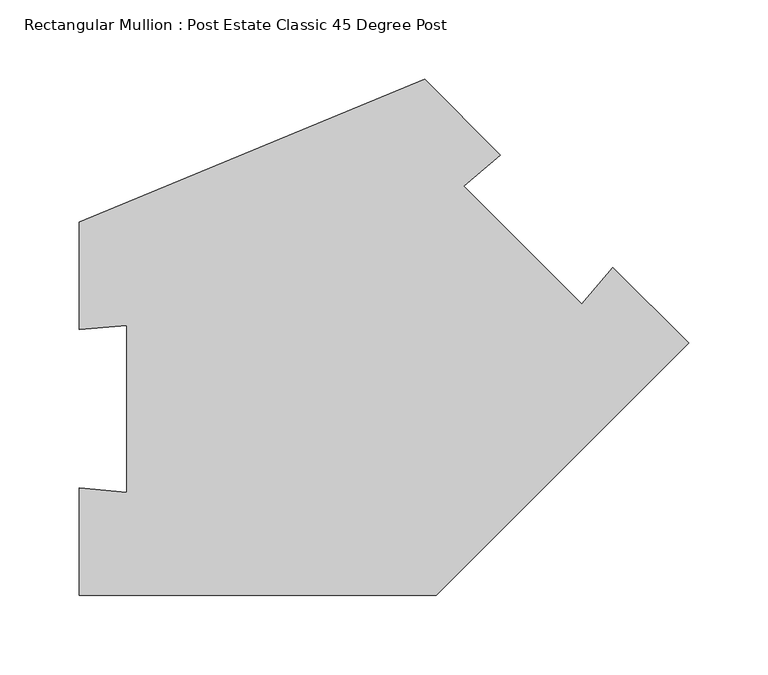
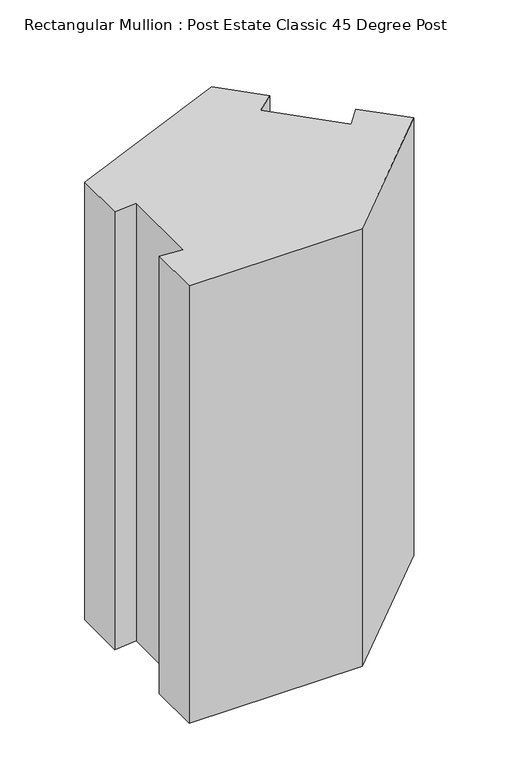
"""IFC4 building model written with IfcOpenShell, lengths in millimetres: member geometry, Rectangular Mullion : Post Estate Classic 45 Degree Post."""

import ifcopenshell
import ifcopenshell.guid

model = None  # the IFC model being written
_history = None  # IfcOwnerHistory: only IFC2X3 demands one
_inside = {}  # id of a spatial element -> (the spatial element, [elements in it])
_under = {}  # id of a project, library or spatial element -> (it, [spatial elements below it])
_declared = {}  # id of a project -> (the project, [libraries it declares])
_typed = {}  # id of a type object -> (the type object, [elements of that type])
_made_of = {}  # id of a material, layer set ... -> (it, [elements and type objects made of it])


def new_model(schema):
    """Start an empty IFC model of exactly this schema.

    Asked for "IFC4X3", IfcOpenShell would pick the latest addendum, in which some entities
    have other attributes; the version numbers below select the first issue.
    IFC2X3 requires an IfcOwnerHistory on every rooted entity: one is made here for all.
    """
    global model, _history
    if schema == "IFC4X3":
        model = ifcopenshell.file(schema_version=(4, 3, 0, 0))
    else:
        model = ifcopenshell.file(schema=schema)
    _inside.clear()
    _under.clear()
    _declared.clear()
    _typed.clear()
    _made_of.clear()
    _history = None
    if model.schema == "IFC2X3":
        org = make("IfcOrganization", Name="unknown")
        user = make(
            "IfcPersonAndOrganization",
            ThePerson=make("IfcPerson", FamilyName="unknown"),
            TheOrganization=org,
        )
        app = make(
            "IfcApplication",
            ApplicationDeveloper=org,
            Version="unknown",
            ApplicationFullName="unknown",
            ApplicationIdentifier="unknown",
        )
        _history = make(
            "IfcOwnerHistory",
            OwningUser=user,
            OwningApplication=app,
            ChangeAction="ADDED",
            CreationDate=0,
        )
    return model


def make(cls, **values):
    """One entity of the class cls with the attributes given. An attribute that is None is left unset."""
    return model.create_entity(
        cls, **{name: value for name, value in values.items() if value is not None}
    )


def rooted(cls, **values):
    """An entity with a GlobalId (a new one), such as an element, a storey or a relation."""
    return make(cls, GlobalId=ifcopenshell.guid.new(), OwnerHistory=_history, **values)


def si_unit(unit_type, name, prefix=None):
    """IfcSIUnit, for example si_unit("LENGTHUNIT", "METRE", prefix="MILLI")."""
    return make("IfcSIUnit", UnitType=unit_type, Prefix=prefix, Name=name)


def assignment(units):
    """IfcUnitAssignment: the units of a project."""
    return None if units is None else make("IfcUnitAssignment", Units=units)


def point(xyz):
    """IfcCartesianPoint."""
    return None if xyz is None else make("IfcCartesianPoint", Coordinates=xyz)


def direction(xyz):
    """IfcDirection."""
    return None if xyz is None else make("IfcDirection", DirectionRatios=xyz)


def frame(location, z_axis=None, x_axis=None):
    """IfcAxis2Placement3D, a coordinate frame: its origin and axes. An axis left out is left unset."""
    return make(
        "IfcAxis2Placement3D",
        Location=point(location),
        Axis=direction(z_axis),
        RefDirection=direction(x_axis),
    )


def origin():
    """The frame at (0, 0, 0) with its axes left unset."""
    return frame((0.0, 0.0, 0.0))


def place(relative_to, where):
    """IfcLocalPlacement: puts the frame where relative to a parent placement (None: the world)."""
    return make(
        "IfcLocalPlacement", PlacementRelTo=relative_to, RelativePlacement=where
    )


def context(
    kind, dimensions, precision=None, world=None, true_north=None, identifier=None
):
    """IfcGeometricRepresentationContext, for example the 3D "Model" context."""
    return make(
        "IfcGeometricRepresentationContext",
        ContextIdentifier=identifier,
        ContextType=kind,
        CoordinateSpaceDimension=dimensions,
        Precision=precision,
        WorldCoordinateSystem=world,
        TrueNorth=true_north,
    )


def project(units=None, contexts=None):
    """IfcProject with its units and contexts."""
    return rooted(
        "IfcProject",
        Name="project",
        RepresentationContexts=contexts,
        UnitsInContext=assignment(units),
    )


def spatial(cls, under=None, at=None, **own):
    """A site, building, storey or space (cls), placed at a placement, below another one or the project."""
    s = rooted(cls, ObjectPlacement=at, **own)
    if under is not None:
        _under.setdefault(under.id(), (under, []))[1].append(s)
    return s


def polyline(points):
    """IfcPolyline through the points."""
    return make("IfcPolyline", Points=[point(p) for p in points])


def outline(outer, holes=None, kind="AREA"):
    """IfcArbitraryClosedProfileDef: a profile drawn as a closed curve; with holes, ...WithVoids."""
    if holes is None:
        return make("IfcArbitraryClosedProfileDef", ProfileType=kind, OuterCurve=outer)
    return make(
        "IfcArbitraryProfileDefWithVoids",
        ProfileType=kind,
        OuterCurve=outer,
        InnerCurves=holes,
    )


def extrude(swept, where, along, depth):
    """IfcExtrudedAreaSolid: the profile swept, set in the frame where, extruded along a direction by depth."""
    return make(
        "IfcExtrudedAreaSolid",
        SweptArea=swept,
        Position=where,
        ExtrudedDirection=direction(along),
        Depth=depth,
    )


def shape(context_of_items, identifier, shape_type, items):
    """IfcShapeRepresentation: the items that make up one representation, for example the "Body"."""
    return make(
        "IfcShapeRepresentation",
        ContextOfItems=context_of_items,
        RepresentationIdentifier=identifier,
        RepresentationType=shape_type,
        Items=items,
    )


def source(mapping_origin, context_of_items, identifier, shape_type, items):
    """IfcRepresentationMap: a shape defined once, which mapped items show again and again."""
    return make(
        "IfcRepresentationMap",
        MappingOrigin=mapping_origin,
        MappedRepresentation=shape(context_of_items, identifier, shape_type, items),
    )


def transform(
    local_origin,
    x_axis=None,
    y_axis=None,
    z_axis=None,
    scale=None,
    scale2=None,
    scale3=None,
    uniform=True,
):
    """IfcCartesianTransformationOperator3D, or its non-uniform kind. x_axis, y_axis, z_axis: its Axis1, 2, 3."""
    if uniform:
        return make(
            "IfcCartesianTransformationOperator3D",
            Axis1=direction(x_axis),
            Axis2=direction(y_axis),
            LocalOrigin=point(local_origin),
            Scale=scale,
            Axis3=direction(z_axis),
        )
    return make(
        "IfcCartesianTransformationOperator3DnonUniform",
        Axis1=direction(x_axis),
        Axis2=direction(y_axis),
        LocalOrigin=point(local_origin),
        Scale=scale,
        Axis3=direction(z_axis),
        Scale2=scale2,
        Scale3=scale3,
    )


def mapped(mapping_source, mapping_target):
    """IfcMappedItem: shows the shape of a source again, moved by a transform."""
    return make(
        "IfcMappedItem", MappingSource=mapping_source, MappingTarget=mapping_target
    )


def made_of(thing, what):
    """Note that an element or type object is made of a material, layer set ...; save() writes the relation."""
    if what is not None:
        _made_of.setdefault(what.id(), (what, []))[1].append(thing)
    return thing


def element(
    cls,
    number,
    at=None,
    inside=None,
    cuts=None,
    type_object=None,
    material=None,
    context=None,
    identifier="Body",
    shape_type=None,
    held_by="IfcProductDefinitionShape",
    body=None,
    shapes=None,
    **own,
):
    """One element of the class cls, such as IfcWall. Its Tag is "e" and its number.

    at: its placement. inside: the storey or other place that contains it. cuts: it is an
    opening in that element (IfcRelVoidsElement). A single representation is given by context,
    identifier, shape_type and body (its items); several are given by shapes. held_by: the class
    of the entity that holds the representations. save() writes the other relations.
    """
    e = rooted(cls, Tag="e%d" % number, ObjectPlacement=at, **own)
    if body is not None:
        shapes = [shape(context, identifier, shape_type, body)]
    if shapes is not None:
        e.Representation = make(held_by, Representations=shapes)
    if inside is not None:
        _inside.setdefault(inside.id(), (inside, []))[1].append(e)
    if cuts is not None:
        rooted(
            "IfcRelVoidsElement", RelatingBuildingElement=cuts, RelatedOpeningElement=e
        )
    if type_object is not None:
        _typed.setdefault(type_object.id(), (type_object, []))[1].append(e)
    return made_of(e, material)


def aggregate(whole, parts):
    """IfcRelAggregates: a whole, such as a stair, and the parts it consists of."""
    return rooted("IfcRelAggregates", RelatingObject=whole, RelatedObjects=parts)


def save(model, path):
    """Write the relations noted so far, then the file.

    IfcRelAggregates (storeys below a building ...), IfcRelContainedInSpatialStructure (elements
    in a storey), IfcRelDefinesByType, IfcRelAssociatesMaterial and IfcRelDeclares: one each for
    every whole, place, type object, material and project.
    """
    for whole, parts in _under.values():
        aggregate(whole, parts)
    for where, things in _inside.values():
        rooted(
            "IfcRelContainedInSpatialStructure",
            RelatedElements=things,
            RelatingStructure=where,
        )
    for kind, things in _typed.values():
        rooted("IfcRelDefinesByType", RelatedObjects=things, RelatingType=kind)
    for what, things in _made_of.values():
        rooted("IfcRelAssociatesMaterial", RelatedObjects=things, RelatingMaterial=what)
    for by, libraries in _declared.values():
        rooted("IfcRelDeclares", RelatingContext=by, RelatedDefinitions=libraries)
    model.write(path)


def rectangular_mullion_post_estate_classic_45_degree_post_7edb952b(model_context):
    return source(origin(), model_context, "Body", "SweptSolid", [
        extrude(outline(polyline([(-383.1196126, -117.3853277), (-383.1196126, -49.8853277), (-353.2337717, -52.5), (-353.2337717, 52.5), (-383.1196126, 49.8853277), (-383.1196126, 117.3853277), (-166.0079225, 207.3159343), (-118.2782148, 159.5862266), (-141.259548, 140.3025983), (-67.013336, 66.0563863), (-47.7297077, 89.0377196), (0.0, 41.3080118), (-158.6933396, -117.3853277), (-383.1196126, -117.3853277)])), frame((0.0, 0.0, -600.0), z_axis=(0.0, 0.0, 1.0), x_axis=(1.0, 0.0, 0.0)), (0.0, 0.0, 1.0), 600.0),
    ])


if __name__ == "__main__":
    model = new_model("IFC4")
    model_context = context("Model", 3, world=origin())
    ifc_project = project(units=[si_unit("LENGTHUNIT", "METRE", prefix="MILLI")], contexts=[model_context])
    site = spatial("IfcSite", under=ifc_project)
    building = spatial("IfcBuilding", under=site)
    placement = place(None, origin())
    rectangular_mullion_post_estate_classic_45_degree_post_shape = rectangular_mullion_post_estate_classic_45_degree_post_7edb952b(model_context)
    element("IfcMember", 1, ObjectType="Rectangular Mullion : Post Estate Classic 45 Degree Post", at=placement, inside=building, context=model_context, shape_type="MappedRepresentation", body=[
        mapped(rectangular_mullion_post_estate_classic_45_degree_post_shape, transform((0.0, 0.0, 0.0), x_axis=(1.0, 0.0, 0.0), y_axis=(0.0, 1.0, 0.0), z_axis=(0.0, 0.0, 1.0))),
    ])
    save(model, "model.ifc")
